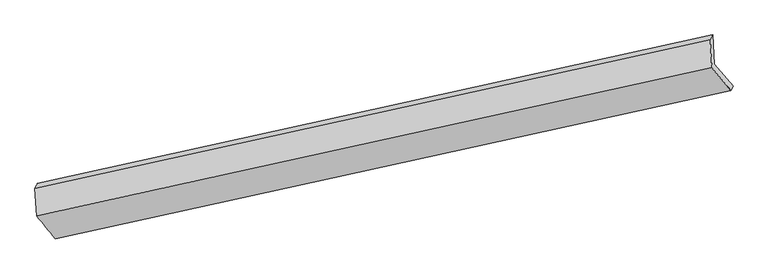
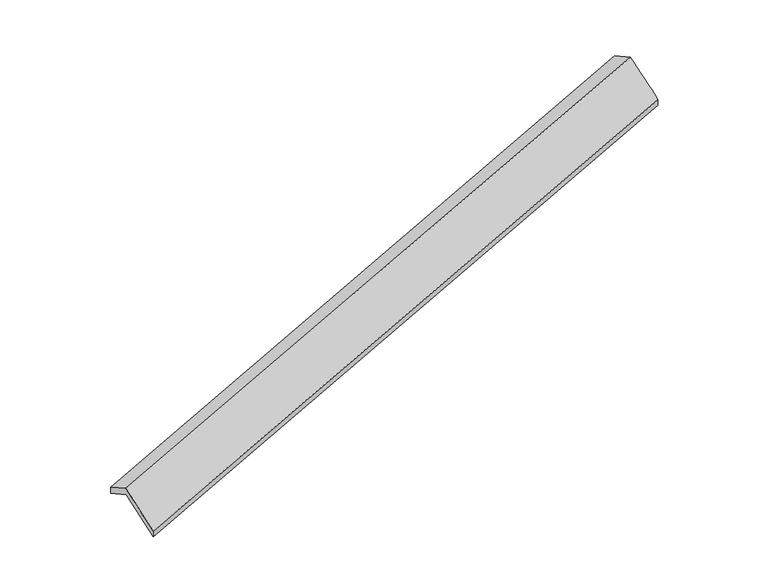
"""IFC4 building model written with IfcOpenShell, lengths in millimetres: proxy geometry."""

from ifc_helpers import new_model, si_unit, frame, origin, place, context, project, spatial, source, transform, mapped, element, save
from ifc_brep_helpers import plane_surface, spline_surface, advanced_brep


def generic_models_68034e42(model_context):
    return source(origin(), model_context, "Body", "AdvancedBrep", [
        advanced_brep(
        [(-7521.7770033, -2523.3145839, 720.279857), (-7545.5020788, -2125.9916121, 510.8458048), (1656.1785954, -96.9918947, 3321.546188), (1679.9036709, -494.3148665, 3530.9802402), (-7578.8278924, -2189.4810676, 666.9030873), (1622.2981773, -160.6037335, 3477.4341204), (-7556.2466211, -2567.6487936, 866.2401629), (1645.4069448, -547.6054179, 3681.4276891), (-7300.6606292, -2878.6228276, 247.3297089), (1904.534467, -857.7979502, 3063.598652), (-7271.3447919, -2828.0179616, 113.8494637), (1933.8059991, -798.2525011, 2925.6094574)],
        [
            (0, 1),
            (1, 2),
            (2, 3),
            (3, 0),
            (1, 4),
            (4, 5),
            (5, 2),
            (4, 6),
            (6, 7),
            (7, 5),
            (6, 8),
            (8, 9),
            (9, 7),
            (8, 10),
            (10, 11),
            (11, 9),
            (10, 0),
            (3, 11),
        ],
        [
            plane_surface(frame((-7533.639541, -2324.653098, 615.5628309), z_axis=(0.3485980773790833, -0.4206747501028113, -0.8375632125837095), x_axis=(-0.0527496124949266, 0.8833958319440461, -0.4656493127725217))),
            spline_surface(1, 1, [[(-7545.5020788, -2125.9916121, 510.8458048), (1656.1785954, -96.9918947, 3321.546188)], [(-7578.8278924, -2189.4810676, 666.9030873), (1622.2981773, -160.6037335, 3477.4341204)]], [2, 2], [2, 2], [0.0, 1.0], [0.0, 1.0]),
            plane_surface(frame((-7567.5372567, -2378.5649306, 766.5716251), z_axis=(-0.34859807823979505, 0.4206747499129264, 0.8375632123208486), x_axis=(0.05274961249489818, -0.8833958319440228, 0.4656493127725693))),
            spline_surface(1, 1, [[(-7556.2466211, -2567.6487936, 866.2401629), (1645.4069448, -547.6054179, 3681.4276891)], [(-7300.6606292, -2878.6228276, 247.3297089), (1904.534467, -857.7979502, 3063.598652)]], [2, 2], [2, 2], [0.0, 1.0], [0.0, 1.0]),
            spline_surface(1, 1, [[(-7300.6606292, -2878.6228276, 247.3297089), (1904.534467, -857.7979502, 3063.598652)], [(-7271.3447919, -2828.0179616, 113.8494637), (1933.8059991, -798.2525011, 2925.6094574)]], [2, 2], [2, 2], [0.0, 1.0], [0.0, 1.0]),
            spline_surface(1, 1, [[(-7271.3447919, -2828.0179616, 113.8494637), (1933.8059991, -798.2525011, 2925.6094574)], [(-7521.7770033, -2523.3145839, 720.279857), (1679.9036709, -494.3148665, 3530.9802402)]], [2, 2], [2, 2], [0.0, 1.0], [0.0, 1.0]),
            plane_surface(frame((1740.3546424, -492.594394, 3333.4327245), z_axis=(0.9348955780249486, 0.2075766979926453, 0.287892640822699), x_axis=(0.19117637434704893, 0.3888994610661562, -0.9012262773987287))),
            plane_surface(frame((-7462.3931694, -2518.8461411, 520.9080141), z_axis=(-0.936682431729318, -0.20542028719391953, -0.283599237831873), x_axis=(0.34618420020456625, -0.42120578072134196, -0.8382971965929802))),
        ],
        [
            (0, [[1, 2, 3, 4]]),
            (1, [[5, 6, 7, -2]]),
            (2, [[8, 9, 10, -6]]),
            (3, [[11, 12, 13, -9]]),
            (4, [[14, 15, 16, -12]]),
            (5, [[17, -4, 18, -15]]),
            (6, [[-16, -18, -3, -7, -10, -13]]),
            (7, [[-17, -14, -11, -8, -5, -1]]),
        ],
    ),
    ])


if __name__ == "__main__":
    model = new_model("IFC4")
    model_context = context("Model", 3, world=origin())
    ifc_project = project(units=[si_unit("LENGTHUNIT", "METRE", prefix="MILLI")], contexts=[model_context])
    site = spatial("IfcSite", under=ifc_project)
    building = spatial("IfcBuilding", under=site)
    placement = place(None, origin())
    generic_models_shape = generic_models_68034e42(model_context)
    element("IfcBuildingElementProxy", 1, Name="Generic Models", at=placement, inside=building, context=model_context, shape_type="MappedRepresentation", body=[
        mapped(generic_models_shape, transform((0.0, 0.0, 0.0), x_axis=(1.0, 0.0, 0.0), y_axis=(0.0, 1.0, 0.0), z_axis=(0.0, 0.0, 1.0))),
    ])
    save(model, "model.ifc")
